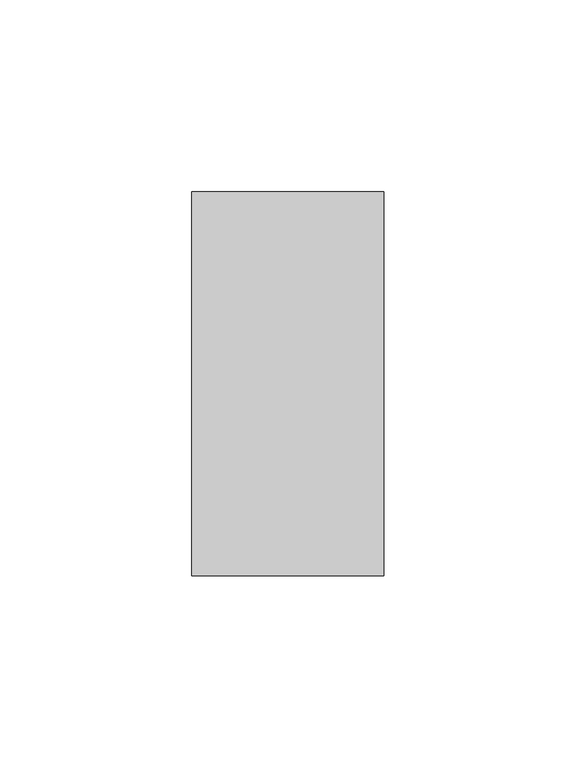
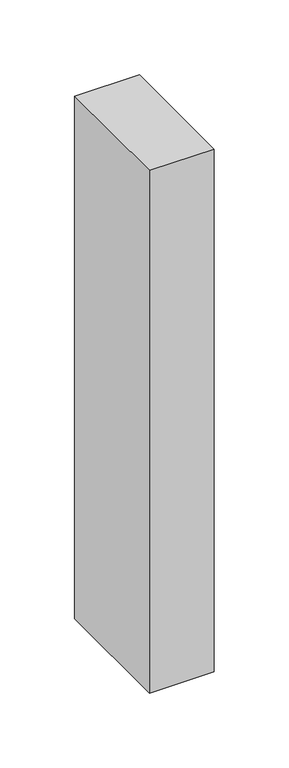
"""IFC4 building model written with IfcOpenShell, lengths in millimetres: member geometry."""

import ifcopenshell
import ifcopenshell.guid

model = None  # the IFC model being written
_history = None  # IfcOwnerHistory: only IFC2X3 demands one
_inside = {}  # id of a spatial element -> (the spatial element, [elements in it])
_under = {}  # id of a project, library or spatial element -> (it, [spatial elements below it])
_declared = {}  # id of a project -> (the project, [libraries it declares])
_typed = {}  # id of a type object -> (the type object, [elements of that type])
_made_of = {}  # id of a material, layer set ... -> (it, [elements and type objects made of it])


def new_model(schema):
    """Start an empty IFC model of exactly this schema.

    Asked for "IFC4X3", IfcOpenShell would pick the latest addendum, in which some entities
    have other attributes; the version numbers below select the first issue.
    IFC2X3 requires an IfcOwnerHistory on every rooted entity: one is made here for all.
    """
    global model, _history
    if schema == "IFC4X3":
        model = ifcopenshell.file(schema_version=(4, 3, 0, 0))
    else:
        model = ifcopenshell.file(schema=schema)
    _inside.clear()
    _under.clear()
    _declared.clear()
    _typed.clear()
    _made_of.clear()
    _history = None
    if model.schema == "IFC2X3":
        org = make("IfcOrganization", Name="unknown")
        user = make(
            "IfcPersonAndOrganization",
            ThePerson=make("IfcPerson", FamilyName="unknown"),
            TheOrganization=org,
        )
        app = make(
            "IfcApplication",
            ApplicationDeveloper=org,
            Version="unknown",
            ApplicationFullName="unknown",
            ApplicationIdentifier="unknown",
        )
        _history = make(
            "IfcOwnerHistory",
            OwningUser=user,
            OwningApplication=app,
            ChangeAction="ADDED",
            CreationDate=0,
        )
    return model


def make(cls, **values):
    """One entity of the class cls with the attributes given. An attribute that is None is left unset."""
    return model.create_entity(
        cls, **{name: value for name, value in values.items() if value is not None}
    )


def rooted(cls, **values):
    """An entity with a GlobalId (a new one), such as an element, a storey or a relation."""
    return make(cls, GlobalId=ifcopenshell.guid.new(), OwnerHistory=_history, **values)


def si_unit(unit_type, name, prefix=None):
    """IfcSIUnit, for example si_unit("LENGTHUNIT", "METRE", prefix="MILLI")."""
    return make("IfcSIUnit", UnitType=unit_type, Prefix=prefix, Name=name)


def assignment(units):
    """IfcUnitAssignment: the units of a project."""
    return None if units is None else make("IfcUnitAssignment", Units=units)


def point(xyz):
    """IfcCartesianPoint."""
    return None if xyz is None else make("IfcCartesianPoint", Coordinates=xyz)


def direction(xyz):
    """IfcDirection."""
    return None if xyz is None else make("IfcDirection", DirectionRatios=xyz)


def frame(location, z_axis=None, x_axis=None):
    """IfcAxis2Placement3D, a coordinate frame: its origin and axes. An axis left out is left unset."""
    return make(
        "IfcAxis2Placement3D",
        Location=point(location),
        Axis=direction(z_axis),
        RefDirection=direction(x_axis),
    )


def origin():
    """The frame at (0, 0, 0) with its axes left unset."""
    return frame((0.0, 0.0, 0.0))


def place(relative_to, where):
    """IfcLocalPlacement: puts the frame where relative to a parent placement (None: the world)."""
    return make(
        "IfcLocalPlacement", PlacementRelTo=relative_to, RelativePlacement=where
    )


def context(
    kind, dimensions, precision=None, world=None, true_north=None, identifier=None
):
    """IfcGeometricRepresentationContext, for example the 3D "Model" context."""
    return make(
        "IfcGeometricRepresentationContext",
        ContextIdentifier=identifier,
        ContextType=kind,
        CoordinateSpaceDimension=dimensions,
        Precision=precision,
        WorldCoordinateSystem=world,
        TrueNorth=true_north,
    )


def project(units=None, contexts=None):
    """IfcProject with its units and contexts."""
    return rooted(
        "IfcProject",
        Name="project",
        RepresentationContexts=contexts,
        UnitsInContext=assignment(units),
    )


def spatial(cls, under=None, at=None, **own):
    """A site, building, storey or space (cls), placed at a placement, below another one or the project."""
    s = rooted(cls, ObjectPlacement=at, **own)
    if under is not None:
        _under.setdefault(under.id(), (under, []))[1].append(s)
    return s


def polyline(points):
    """IfcPolyline through the points."""
    return make("IfcPolyline", Points=[point(p) for p in points])


def outline(outer, holes=None, kind="AREA"):
    """IfcArbitraryClosedProfileDef: a profile drawn as a closed curve; with holes, ...WithVoids."""
    if holes is None:
        return make("IfcArbitraryClosedProfileDef", ProfileType=kind, OuterCurve=outer)
    return make(
        "IfcArbitraryProfileDefWithVoids",
        ProfileType=kind,
        OuterCurve=outer,
        InnerCurves=holes,
    )


def extrude(swept, where, along, depth):
    """IfcExtrudedAreaSolid: the profile swept, set in the frame where, extruded along a direction by depth."""
    return make(
        "IfcExtrudedAreaSolid",
        SweptArea=swept,
        Position=where,
        ExtrudedDirection=direction(along),
        Depth=depth,
    )


def shape(context_of_items, identifier, shape_type, items):
    """IfcShapeRepresentation: the items that make up one representation, for example the "Body"."""
    return make(
        "IfcShapeRepresentation",
        ContextOfItems=context_of_items,
        RepresentationIdentifier=identifier,
        RepresentationType=shape_type,
        Items=items,
    )


def source(mapping_origin, context_of_items, identifier, shape_type, items):
    """IfcRepresentationMap: a shape defined once, which mapped items show again and again."""
    return make(
        "IfcRepresentationMap",
        MappingOrigin=mapping_origin,
        MappedRepresentation=shape(context_of_items, identifier, shape_type, items),
    )


def transform(
    local_origin,
    x_axis=None,
    y_axis=None,
    z_axis=None,
    scale=None,
    scale2=None,
    scale3=None,
    uniform=True,
):
    """IfcCartesianTransformationOperator3D, or its non-uniform kind. x_axis, y_axis, z_axis: its Axis1, 2, 3."""
    if uniform:
        return make(
            "IfcCartesianTransformationOperator3D",
            Axis1=direction(x_axis),
            Axis2=direction(y_axis),
            LocalOrigin=point(local_origin),
            Scale=scale,
            Axis3=direction(z_axis),
        )
    return make(
        "IfcCartesianTransformationOperator3DnonUniform",
        Axis1=direction(x_axis),
        Axis2=direction(y_axis),
        LocalOrigin=point(local_origin),
        Scale=scale,
        Axis3=direction(z_axis),
        Scale2=scale2,
        Scale3=scale3,
    )


def mapped(mapping_source, mapping_target):
    """IfcMappedItem: shows the shape of a source again, moved by a transform."""
    return make(
        "IfcMappedItem", MappingSource=mapping_source, MappingTarget=mapping_target
    )


def made_of(thing, what):
    """Note that an element or type object is made of a material, layer set ...; save() writes the relation."""
    if what is not None:
        _made_of.setdefault(what.id(), (what, []))[1].append(thing)
    return thing


def element(
    cls,
    number,
    at=None,
    inside=None,
    cuts=None,
    type_object=None,
    material=None,
    context=None,
    identifier="Body",
    shape_type=None,
    held_by="IfcProductDefinitionShape",
    body=None,
    shapes=None,
    **own,
):
    """One element of the class cls, such as IfcWall. Its Tag is "e" and its number.

    at: its placement. inside: the storey or other place that contains it. cuts: it is an
    opening in that element (IfcRelVoidsElement). A single representation is given by context,
    identifier, shape_type and body (its items); several are given by shapes. held_by: the class
    of the entity that holds the representations. save() writes the other relations.
    """
    e = rooted(cls, Tag="e%d" % number, ObjectPlacement=at, **own)
    if body is not None:
        shapes = [shape(context, identifier, shape_type, body)]
    if shapes is not None:
        e.Representation = make(held_by, Representations=shapes)
    if inside is not None:
        _inside.setdefault(inside.id(), (inside, []))[1].append(e)
    if cuts is not None:
        rooted(
            "IfcRelVoidsElement", RelatingBuildingElement=cuts, RelatedOpeningElement=e
        )
    if type_object is not None:
        _typed.setdefault(type_object.id(), (type_object, []))[1].append(e)
    return made_of(e, material)


def aggregate(whole, parts):
    """IfcRelAggregates: a whole, such as a stair, and the parts it consists of."""
    return rooted("IfcRelAggregates", RelatingObject=whole, RelatedObjects=parts)


def save(model, path):
    """Write the relations noted so far, then the file.

    IfcRelAggregates (storeys below a building ...), IfcRelContainedInSpatialStructure (elements
    in a storey), IfcRelDefinesByType, IfcRelAssociatesMaterial and IfcRelDeclares: one each for
    every whole, place, type object, material and project.
    """
    for whole, parts in _under.values():
        aggregate(whole, parts)
    for where, things in _inside.values():
        rooted(
            "IfcRelContainedInSpatialStructure",
            RelatedElements=things,
            RelatingStructure=where,
        )
    for kind, things in _typed.values():
        rooted("IfcRelDefinesByType", RelatedObjects=things, RelatingType=kind)
    for what, things in _made_of.values():
        rooted("IfcRelAssociatesMaterial", RelatedObjects=things, RelatingMaterial=what)
    for by, libraries in _declared.values():
        rooted("IfcRelDeclares", RelatingContext=by, RelatedDefinitions=libraries)
    model.write(path)


def member_12436018(model_context):
    return source(origin(), model_context, "Body", "SweptSolid", [
        extrude(outline(polyline([(25.0, 50.0), (25.0, -50.0), (-25.0, -50.0), (-25.0, 50.0), (25.0, 50.0)])), frame((0.0, 0.0, -426.7769485), z_axis=(0.0, 0.0, 1.0), x_axis=(1.0, 0.0, 0.0)), (0.0, 0.0, 1.0), 426.7769485),
    ])


if __name__ == "__main__":
    model = new_model("IFC4")
    model_context = context("Model", 3, world=origin())
    ifc_project = project(units=[si_unit("LENGTHUNIT", "METRE", prefix="MILLI")], contexts=[model_context])
    site = spatial("IfcSite", under=ifc_project)
    building = spatial("IfcBuilding", under=site)
    placement = place(None, origin())
    member_shape = member_12436018(model_context)
    element("IfcMember", 1, at=placement, inside=building, context=model_context, shape_type="MappedRepresentation", body=[
        mapped(member_shape, transform((0.0, 0.0, 0.0), x_axis=(1.0, 0.0, 0.0), y_axis=(0.0, 1.0, 0.0), z_axis=(0.0, 0.0, 1.0))),
    ])
    save(model, "model.ifc")
